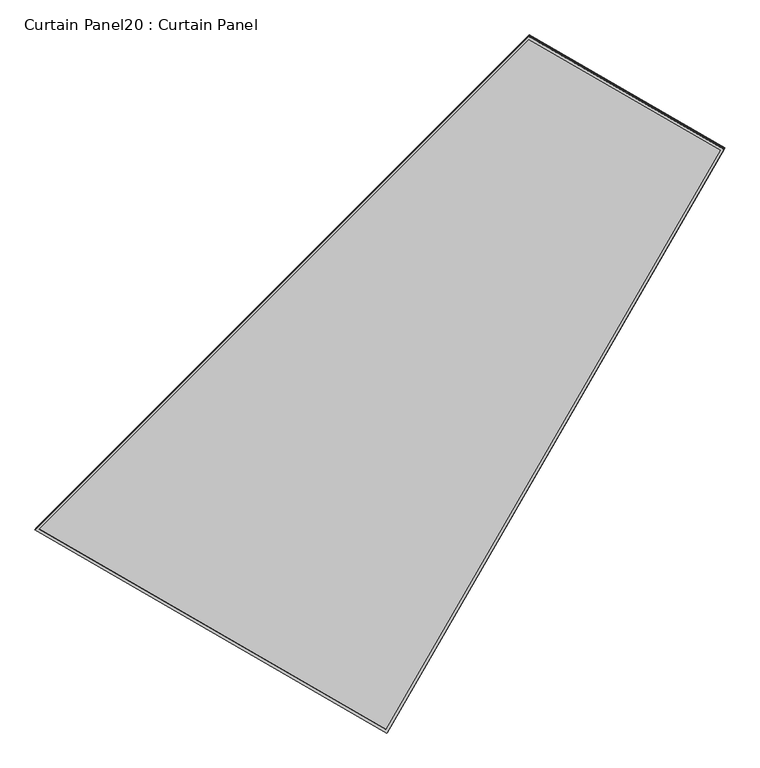
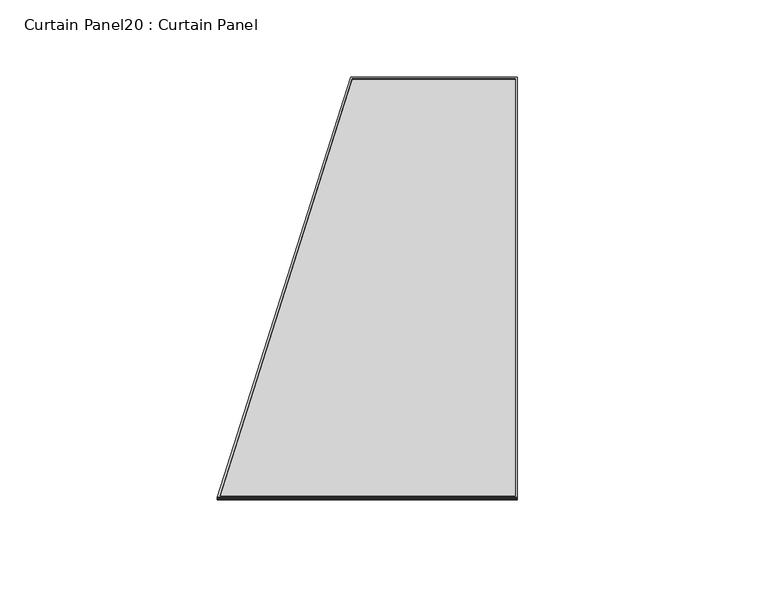
"""IFC4 building model written with IfcOpenShell, lengths in millimetres: plate geometry, Curtain Panel20 : Curtain Panel."""

from ifc_helpers import new_model, si_unit, frame, origin, place, context, project, spatial, polyline, outline, extrude, source, transform, mapped, element, save


def curtain_panel20_curtain_panel_286702b9(model_context):
    return source(origin(), model_context, "Body", "SweptSolid", [
        extrude(outline(polyline([(903.430398, -2842.288964), (0.0, -2842.288964), (0.0, 0.0), (1625.9579923, 0.0), (903.430398, -2842.288964)]), holes=[polyline([(1611.6671963, -11.1125001), (11.1125, -11.1125), (11.1125, -2831.176464), (894.7893358, -2831.176464), (1611.6671963, -11.1125001)])]), frame((6841.035024, -6350.134874, -9.1901294), z_axis=(-0.15807291198690473, -0.27379031486167804, 0.948710608132914), x_axis=(-0.8660254037844324, 0.500000000000011, 0.0)), (0.0, 0.0, 1.0), 4.8773495),
        extrude(outline(polyline([(903.4303979, -2842.288964), (0.0, -2842.288964), (0.0, 0.0), (1625.9579922, 0.0), (903.4303979, -2842.288964)]), holes=[polyline([(1611.6671963, -11.1125), (11.1125, -11.1125), (11.1125, -2831.176464), (894.7893358, -2831.176464), (1611.6671963, -11.1125)])]), frame((6843.8157579, -6345.3185015, -25.8793379), z_axis=(-0.15807291198690473, -0.273790314861678, 0.948710608132914), x_axis=(-0.8660254037844324, 0.5000000000000109, 0.0)), (0.0, 0.0, 1.0), 4.7820771),
        extrude(outline(polyline([(12.7, 0.0), (1638.6579922, 0.0), (916.130398, -2842.288964), (12.7, -2842.288964), (12.7, 0.0)])), frame((6854.0583637, -6352.9777879, -21.3425306), z_axis=(-0.15807291198690487, -0.27379031486167804, 0.948710608132914), x_axis=(-0.8660254037844352, 0.500000000000006, 0.0)), (0.0, 0.0, 1.0), 12.8093869),
    ])


if __name__ == "__main__":
    model = new_model("IFC4")
    model_context = context("Model", 3, world=origin())
    ifc_project = project(units=[si_unit("LENGTHUNIT", "METRE", prefix="MILLI")], contexts=[model_context])
    site = spatial("IfcSite", under=ifc_project)
    building = spatial("IfcBuilding", under=site)
    placement = place(None, origin())
    curtain_panel20_curtain_panel_shape = curtain_panel20_curtain_panel_286702b9(model_context)
    element("IfcPlate", 1, ObjectType="Curtain Panel20 : Curtain Panel", at=placement, inside=building, context=model_context, shape_type="MappedRepresentation", body=[
        mapped(curtain_panel20_curtain_panel_shape, transform((0.0, 0.0, 0.0), x_axis=(1.0, 0.0, 0.0), y_axis=(0.0, 1.0, 0.0), z_axis=(0.0, 0.0, 1.0))),
    ])
    save(model, "model.ifc")
